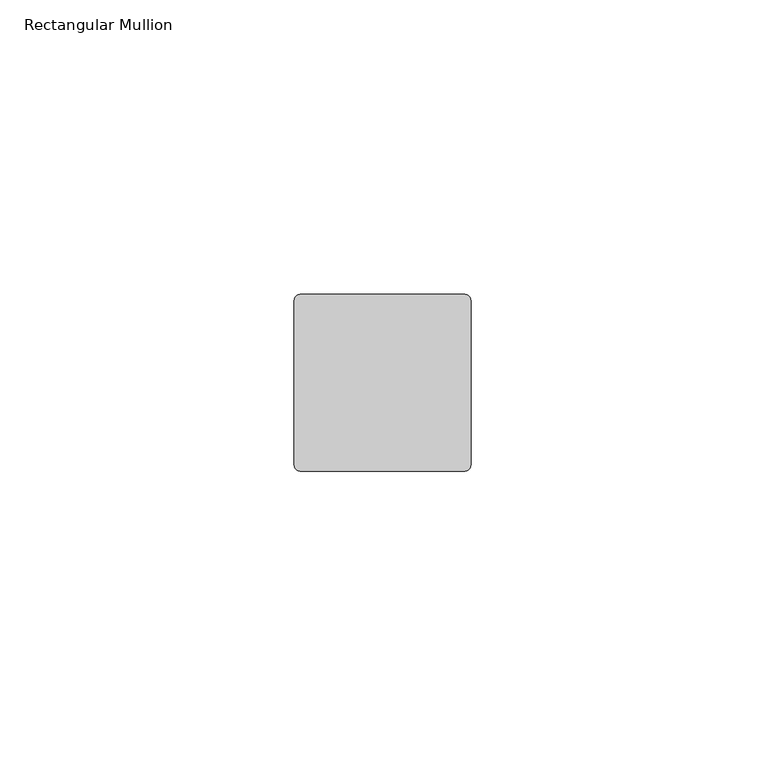
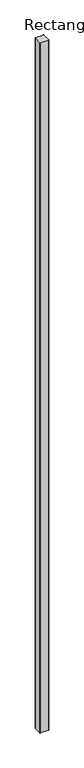
"""IFC4 building model written with IfcOpenShell, lengths in millimetres: member geometry, Rectangular Mullion."""

from ifc_helpers import new_model, si_unit, point, frame, frame_2d, origin, place, context, project, spatial, polyline, circle_curve, trimmed, segment, composite_curve, outline, extrude, source, transform, mapped, element, save


def rectangular_mullion_67e93e42(model_context):
    return source(origin(), model_context, "Body", "SweptSolid", [
        extrude(outline(composite_curve([segment(polyline([(-14.0, 15.0), (14.0, 15.0)]), True, "CONTINUOUS"), segment(trimmed(circle_curve(frame_2d((14.0, 14.0)), 1.0), [point((14.0, 15.0))], [point((15.0, 14.0))], False, "CARTESIAN"), True, "CONTINUOUS"), segment(polyline([(15.0, 14.0), (15.0, -14.0)]), True, "CONTINUOUS"), segment(trimmed(circle_curve(frame_2d((14.0, -14.0)), 1.0), [point((15.0, -14.0))], [point((14.0, -15.0))], False, "CARTESIAN"), True, "CONTINUOUS"), segment(polyline([(14.0, -15.0), (-14.0, -15.0)]), True, "CONTINUOUS"), segment(trimmed(circle_curve(frame_2d((-14.0, -14.0)), 1.0), [point((-14.0, -15.0))], [point((-15.0, -14.0))], False, "CARTESIAN"), True, "CONTINUOUS"), segment(polyline([(-15.0, -14.0), (-15.0, 14.0)]), True, "CONTINUOUS"), segment(trimmed(circle_curve(frame_2d((-14.0, 14.0)), 1.0), [point((-15.0, 14.0))], [point((-14.0, 15.0))], False, "CARTESIAN"), True, "CONTINUOUS")], self_intersect=False)), frame((0.0, 0.0, -2501.0), z_axis=(0.0, 0.0, 1.0), x_axis=(1.0, 0.0, 0.0)), (0.0, 0.0, 1.0), 2501.0),
    ])


if __name__ == "__main__":
    model = new_model("IFC4")
    model_context = context("Model", 3, world=origin())
    ifc_project = project(units=[si_unit("LENGTHUNIT", "METRE", prefix="MILLI")], contexts=[model_context])
    site = spatial("IfcSite", under=ifc_project)
    building = spatial("IfcBuilding", under=site)
    placement = place(None, origin())
    rectangular_mullion_shape = rectangular_mullion_67e93e42(model_context)
    element("IfcMember", 1, ObjectType="Rectangular Mullion", at=placement, inside=building, context=model_context, shape_type="MappedRepresentation", body=[
        mapped(rectangular_mullion_shape, transform((0.0, 0.0, 0.0), x_axis=(1.0, 0.0, 0.0), y_axis=(0.0, 1.0, 0.0), z_axis=(0.0, 0.0, 1.0))),
    ])
    save(model, "model.ifc")
